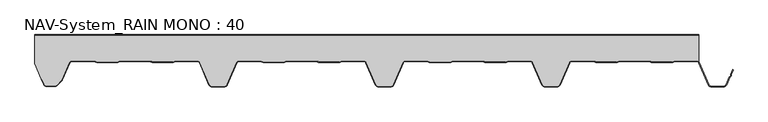
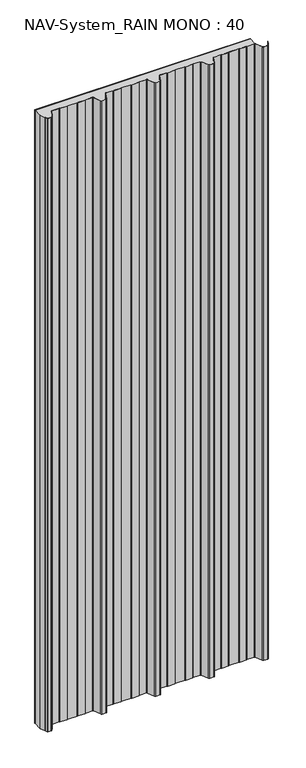
"""IFC4 building model written with IfcOpenShell, lengths in millimetres: plate geometry, NAV-System_RAIN MONO : 40."""

from ifc_helpers import new_model, si_unit, point, frame_2d, origin, origin_with_axes, place, context, project, spatial, polyline, circle_curve, trimmed, segment, composite_curve, outline, extrude, source, transform, mapped, element, save


def nav_system_rain_mono_40_c3090a60(model_context):
    return source(origin(), model_context, "Body", "SweptSolid", [
        extrude(outline(polyline([(519.0, -0.8), (-478.0, -0.8), (-478.0, 0.0), (519.0, 0.0), (519.0, -0.8)])), origin_with_axes(), (0.0, 0.0, 1.0), 3000.0),
        extrude(outline(composite_curve([segment(trimmed(circle_curve(frame_2d((515.5898022, -44.0)), 4.8), [point((519.0, -40.6220493))], [point((515.5898022, -39.2))], True, "CARTESIAN"), True, "CONTINUOUS"), segment(polyline([(515.5898022, -39.2), (483.6922468, -39.2), (479.6508228, -40.7), (448.0723788, -40.6741102), (444.1768702, -39.2), (400.3589135, -39.2), (396.3174895, -40.7), (364.7390455, -40.6741102), (360.8435369, -39.2), (328.9416341, -39.2)]), True, "CONTINUOUS"), segment(trimmed(circle_curve(frame_2d((328.9416341, -44.0)), 4.8), [point((328.9416341, -39.2))], [point((324.5314363, -42.1052295))], True, "CARTESIAN"), True, "CONTINUOUS"), segment(polyline([(324.5314363, -42.1052295), (310.330878, -75.1579242)]), True, "CONTINUOUS"), segment(trimmed(circle_curve(frame_2d((306.4719549, -73.5)), 4.2), [point((310.330878, -75.1579242))], [point((306.4719549, -77.7))], False, "CARTESIAN"), True, "CONTINUOUS"), segment(polyline([(306.4719549, -77.7), (288.0594814, -77.7)]), True, "CONTINUOUS"), segment(trimmed(circle_curve(frame_2d((288.0594814, -73.5)), 4.2), [point((288.0594814, -77.7))], [point((284.2005583, -75.1579242))], False, "CARTESIAN"), True, "CONTINUOUS"), segment(polyline([(284.2005583, -75.1579242), (270.0, -42.1052295)]), True, "CONTINUOUS"), segment(trimmed(circle_curve(frame_2d((265.5898022, -44.0)), 4.8), [point((270.0, -42.1052295))], [point((265.5898022, -39.2))], True, "CARTESIAN"), True, "CONTINUOUS"), segment(polyline([(265.5898022, -39.2), (233.6922468, -39.2), (229.6508228, -40.7), (198.0723788, -40.6741102), (194.1768702, -39.2), (150.3589135, -39.2), (146.3174895, -40.7), (114.8074622, -40.7), (110.8435369, -39.2), (78.9416341, -39.2)]), True, "CONTINUOUS"), segment(trimmed(circle_curve(frame_2d((78.9416341, -44.0)), 4.8), [point((78.9416341, -39.2))], [point((74.5314363, -42.1052295))], True, "CARTESIAN"), True, "CONTINUOUS"), segment(polyline([(74.5314363, -42.1052295), (60.330878, -75.1579242)]), True, "CONTINUOUS"), segment(trimmed(circle_curve(frame_2d((56.4719549, -73.5)), 4.2), [point((60.330878, -75.1579242))], [point((56.4719549, -77.7))], False, "CARTESIAN"), True, "CONTINUOUS"), segment(polyline([(56.4719549, -77.7), (38.0594814, -77.7)]), True, "CONTINUOUS"), segment(trimmed(circle_curve(frame_2d((38.0594814, -73.5)), 4.2), [point((38.0594814, -77.7))], [point((34.2005583, -75.1579242))], False, "CARTESIAN"), True, "CONTINUOUS"), segment(polyline([(34.2005583, -75.1579242), (20.0, -42.1052295)]), True, "CONTINUOUS"), segment(trimmed(circle_curve(frame_2d((15.5898022, -44.0)), 4.8), [point((20.0, -42.1052295))], [point((15.5898022, -39.2))], True, "CARTESIAN"), True, "CONTINUOUS"), segment(polyline([(15.5898022, -39.2), (-16.3077532, -39.2), (-20.3491772, -40.7), (-51.9276212, -40.6741102), (-55.8231298, -39.2), (-99.6410865, -39.2), (-103.6825105, -40.7), (-135.1925378, -40.7), (-139.1564631, -39.2), (-171.0583659, -39.2)]), True, "CONTINUOUS"), segment(trimmed(circle_curve(frame_2d((-171.0583659, -44.0)), 4.8), [point((-171.0583659, -39.2))], [point((-175.4685637, -42.1052295))], True, "CARTESIAN"), True, "CONTINUOUS"), segment(polyline([(-175.4685637, -42.1052295), (-189.669122, -75.1579242)]), True, "CONTINUOUS"), segment(trimmed(circle_curve(frame_2d((-193.5280451, -73.5)), 4.2), [point((-189.669122, -75.1579242))], [point((-193.5280451, -77.7))], False, "CARTESIAN"), True, "CONTINUOUS"), segment(polyline([(-193.5280451, -77.7), (-211.9405186, -77.7)]), True, "CONTINUOUS"), segment(trimmed(circle_curve(frame_2d((-211.9405186, -73.5)), 4.2), [point((-211.9405186, -77.7))], [point((-215.7994417, -75.1579242))], False, "CARTESIAN"), True, "CONTINUOUS"), segment(polyline([(-215.7994417, -75.1579242), (-230.0, -42.1052295)]), True, "CONTINUOUS"), segment(trimmed(circle_curve(frame_2d((-234.4101978, -44.0)), 4.8), [point((-230.0, -42.1052295))], [point((-234.4101978, -39.2))], True, "CARTESIAN"), True, "CONTINUOUS"), segment(polyline([(-234.4101978, -39.2), (-266.3077532, -39.2), (-270.3491772, -40.7), (-301.9276212, -40.6741102), (-305.8231298, -39.2), (-349.6410865, -39.2), (-353.6825105, -40.7), (-385.1925378, -40.7), (-389.1564631, -39.2), (-421.9290751, -39.2)]), True, "CONTINUOUS"), segment(trimmed(circle_curve(frame_2d((-421.9290751, -44.0)), 4.8), [point((-421.9290751, -39.2))], [point((-426.3392729, -42.1052295))], True, "CARTESIAN"), True, "CONTINUOUS"), segment(polyline([(-426.3392729, -42.1052295), (-437.4245651, -67.9069459)]), True, "CONTINUOUS"), segment(trimmed(circle_curve(frame_2d((-441.2834882, -66.2490217)), 4.2), [point((-437.4245651, -67.9069459))], [point((-438.3136397, -69.2188701))], False, "CARTESIAN"), True, "CONTINUOUS"), segment(polyline([(-438.3136397, -69.2188701), (-444.764618, -75.6698485)]), True, "CONTINUOUS"), segment(trimmed(circle_curve(frame_2d((-447.7344665, -72.7)), 4.2), [point((-444.764618, -75.6698485))], [point((-447.7344665, -76.9))], False, "CARTESIAN"), True, "CONTINUOUS"), segment(polyline([(-447.7344665, -76.9), (-461.1405186, -76.9)]), True, "CONTINUOUS"), segment(trimmed(circle_curve(frame_2d((-461.1405186, -73.7)), 3.2), [point((-461.1405186, -76.9))], [point((-464.1022482, -74.9116756))], False, "CARTESIAN"), True, "CONTINUOUS"), segment(polyline([(-464.1022482, -74.9116756), (-467.6292254, -66.2905951), (-468.3696578, -66.593514), (-478.0, -43.053822), (-478.0, -0.8), (519.0, -0.8), (519.0, -40.6220493)]), True, "CONTINUOUS")], self_intersect=False)), origin_with_axes(), (0.0, 0.0, 1.0), 3000.0),
        extrude(outline(composite_curve([segment(polyline([(-464.8430228, -75.2145945), (-468.37, -66.593514), (-467.6295676, -66.2905951), (-464.1025904, -74.9116756)]), True, "CONTINUOUS"), segment(trimmed(circle_curve(frame_2d((-461.1408608, -73.7)), 3.2), [point((-464.1025904, -74.9116756))], [point((-461.1408608, -76.9))], True, "CARTESIAN"), True, "CONTINUOUS"), segment(polyline([(-461.1408608, -76.9), (-447.7348087, -76.9)]), True, "CONTINUOUS"), segment(trimmed(circle_curve(frame_2d((-447.7348087, -72.7)), 4.2), [point((-447.7348087, -76.9))], [point((-444.7649603, -75.6698485))], True, "CARTESIAN"), True, "CONTINUOUS"), segment(polyline([(-444.7649603, -75.6698485), (-438.3139819, -69.2188701)]), True, "CONTINUOUS"), segment(trimmed(circle_curve(frame_2d((-441.2838304, -66.2490217)), 4.2), [point((-438.3139819, -69.2188701))], [point((-437.4249073, -67.9069459))], True, "CARTESIAN"), True, "CONTINUOUS"), segment(polyline([(-437.4249073, -67.9069459), (-426.3396151, -42.1052295)]), True, "CONTINUOUS"), segment(trimmed(circle_curve(frame_2d((-421.9294173, -44.0)), 4.8), [point((-426.3396151, -42.1052295))], [point((-421.9294173, -39.2))], False, "CARTESIAN"), True, "CONTINUOUS"), segment(polyline([(-421.9294173, -39.2), (-389.1568054, -39.2), (-385.19288, -40.7), (-353.6828527, -40.7), (-349.6414287, -39.2), (-305.8234721, -39.2), (-301.9279634, -40.6741102), (-270.3495194, -40.7), (-266.3080954, -39.2), (-234.41054, -39.2)]), True, "CONTINUOUS"), segment(trimmed(circle_curve(frame_2d((-234.41054, -44.0)), 4.8), [point((-234.41054, -39.2))], [point((-230.0003422, -42.1052295))], False, "CARTESIAN"), True, "CONTINUOUS"), segment(polyline([(-230.0003422, -42.1052295), (-215.7997839, -75.1579242)]), True, "CONTINUOUS"), segment(trimmed(circle_curve(frame_2d((-211.9408608, -73.5)), 4.2), [point((-215.7997839, -75.1579242))], [point((-211.9408608, -77.7))], True, "CARTESIAN"), True, "CONTINUOUS"), segment(polyline([(-211.9408608, -77.7), (-193.5283873, -77.7)]), True, "CONTINUOUS"), segment(trimmed(circle_curve(frame_2d((-193.5283873, -73.5)), 4.2), [point((-193.5283873, -77.7))], [point((-189.6694642, -75.1579242))], True, "CARTESIAN"), True, "CONTINUOUS"), segment(polyline([(-189.6694642, -75.1579242), (-175.4689059, -42.1052295)]), True, "CONTINUOUS"), segment(trimmed(circle_curve(frame_2d((-171.0587081, -44.0)), 4.8), [point((-175.4689059, -42.1052295))], [point((-171.0587081, -39.2))], False, "CARTESIAN"), True, "CONTINUOUS"), segment(polyline([(-171.0587081, -39.2), (-139.1568054, -39.2), (-135.2612967, -40.6741102), (-103.6828527, -40.7), (-99.6414287, -39.2), (-55.8234721, -39.2), (-51.9279634, -40.6741102), (-20.3495194, -40.7), (-16.3080954, -39.2), (15.58946, -39.2)]), True, "CONTINUOUS"), segment(trimmed(circle_curve(frame_2d((15.58946, -44.0)), 4.8), [point((15.58946, -39.2))], [point((19.9996578, -42.1052295))], False, "CARTESIAN"), True, "CONTINUOUS"), segment(polyline([(19.9996578, -42.1052295), (34.2002161, -75.1579242)]), True, "CONTINUOUS"), segment(trimmed(circle_curve(frame_2d((38.0591392, -73.5)), 4.2), [point((34.2002161, -75.1579242))], [point((38.0591392, -77.7))], True, "CARTESIAN"), True, "CONTINUOUS"), segment(polyline([(38.0591392, -77.7), (56.4716127, -77.7)]), True, "CONTINUOUS"), segment(trimmed(circle_curve(frame_2d((56.4716127, -73.5)), 4.2), [point((56.4716127, -77.7))], [point((60.3305358, -75.1579242))], True, "CARTESIAN"), True, "CONTINUOUS"), segment(polyline([(60.3305358, -75.1579242), (74.5310941, -42.1052295)]), True, "CONTINUOUS"), segment(trimmed(circle_curve(frame_2d((78.9412919, -44.0)), 4.8), [point((74.5310941, -42.1052295))], [point((78.9412919, -39.2))], False, "CARTESIAN"), True, "CONTINUOUS"), segment(polyline([(78.9412919, -39.2), (110.8431946, -39.2), (114.7387033, -40.6741102), (146.3171473, -40.7), (150.3585713, -39.2), (194.1765279, -39.2), (198.0720366, -40.6741102), (229.6504806, -40.7), (233.6919046, -39.2), (265.58946, -39.2)]), True, "CONTINUOUS"), segment(trimmed(circle_curve(frame_2d((265.58946, -44.0)), 4.8), [point((265.58946, -39.2))], [point((269.9996578, -42.1052295))], False, "CARTESIAN"), True, "CONTINUOUS"), segment(polyline([(269.9996578, -42.1052295), (284.2002161, -75.1579242)]), True, "CONTINUOUS"), segment(trimmed(circle_curve(frame_2d((288.0591392, -73.5)), 4.2), [point((284.2002161, -75.1579242))], [point((288.0591392, -77.7))], True, "CARTESIAN"), True, "CONTINUOUS"), segment(polyline([(288.0591392, -77.7), (306.4716127, -77.7)]), True, "CONTINUOUS"), segment(trimmed(circle_curve(frame_2d((306.4716127, -73.5)), 4.2), [point((306.4716127, -77.7))], [point((310.3305358, -75.1579242))], True, "CARTESIAN"), True, "CONTINUOUS"), segment(polyline([(310.3305358, -75.1579242), (324.5310941, -42.1052295)]), True, "CONTINUOUS"), segment(trimmed(circle_curve(frame_2d((328.9412919, -44.0)), 4.8), [point((324.5310941, -42.1052295))], [point((328.9412919, -39.2))], False, "CARTESIAN"), True, "CONTINUOUS"), segment(polyline([(328.9412919, -39.2), (360.8431946, -39.2), (364.7387033, -40.6741102), (396.3171473, -40.7), (400.3585713, -39.2), (444.1765279, -39.2), (448.0720366, -40.6741102), (479.6504806, -40.7), (483.6919046, -39.2), (515.58946, -39.2)]), True, "CONTINUOUS"), segment(trimmed(circle_curve(frame_2d((515.58946, -44.0)), 4.8), [point((515.58946, -39.2))], [point((519.9996578, -42.1052295))], False, "CARTESIAN"), True, "CONTINUOUS"), segment(polyline([(519.9996578, -42.1052295), (534.2002161, -75.1579242)]), True, "CONTINUOUS"), segment(trimmed(circle_curve(frame_2d((538.0591392, -73.5)), 4.2), [point((534.2002161, -75.1579242))], [point((538.0591392, -77.7))], True, "CARTESIAN"), True, "CONTINUOUS"), segment(polyline([(538.0591392, -77.7), (556.4716127, -77.7)]), True, "CONTINUOUS"), segment(trimmed(circle_curve(frame_2d((556.4716127, -73.5)), 4.2), [point((556.4716127, -77.7))], [point((560.3305358, -75.1579242))], True, "CARTESIAN"), True, "CONTINUOUS"), segment(polyline([(560.3305358, -75.1579242), (565.2356202, -63.741031), (567.1121268, -62.0654564), (567.0358547, -59.5508717), (570.0831709, -52.458051), (570.8182039, -52.7738461), (567.8408612, -59.703799), (567.9230626, -62.4138642), (565.9006789, -64.2196957), (561.0655687, -75.4737193)]), True, "CONTINUOUS"), segment(trimmed(circle_curve(frame_2d((556.4716127, -73.5)), 5.0), [point((561.0655687, -75.4737193))], [point((556.4716127, -78.5))], False, "CARTESIAN"), True, "CONTINUOUS"), segment(polyline([(556.4716127, -78.5), (538.0591392, -78.5)]), True, "CONTINUOUS"), segment(trimmed(circle_curve(frame_2d((538.0591392, -73.5)), 5.0), [point((538.0591392, -78.5))], [point((533.4651831, -75.4737193))], False, "CARTESIAN"), True, "CONTINUOUS"), segment(polyline([(533.4651831, -75.4737193), (519.2646248, -42.4210246)]), True, "CONTINUOUS"), segment(trimmed(circle_curve(frame_2d((515.58946, -44.0)), 4.0), [point((519.2646248, -42.4210246))], [point((515.58946, -40.0))], True, "CARTESIAN"), True, "CONTINUOUS"), segment(polyline([(515.58946, -40.0), (483.8338601, -40.0), (479.8699347, -41.5), (447.9941505, -41.5), (444.0302251, -40.0), (400.5005268, -40.0), (396.5366014, -41.5), (364.6608172, -41.5), (360.6968918, -40.0), (328.9412919, -40.0)]), True, "CONTINUOUS"), segment(trimmed(circle_curve(frame_2d((328.9412919, -44.0)), 4.0), [point((328.9412919, -40.0))], [point((325.2661271, -42.4210246))], True, "CARTESIAN"), True, "CONTINUOUS"), segment(polyline([(325.2661271, -42.4210246), (311.0655687, -75.4737193)]), True, "CONTINUOUS"), segment(trimmed(circle_curve(frame_2d((306.4716127, -73.5)), 5.0), [point((311.0655687, -75.4737193))], [point((306.4716127, -78.5))], False, "CARTESIAN"), True, "CONTINUOUS"), segment(polyline([(306.4716127, -78.5), (288.0591392, -78.5)]), True, "CONTINUOUS"), segment(trimmed(circle_curve(frame_2d((288.0591392, -73.5)), 5.0), [point((288.0591392, -78.5))], [point((283.4651831, -75.4737193))], False, "CARTESIAN"), True, "CONTINUOUS"), segment(polyline([(283.4651831, -75.4737193), (269.2646248, -42.4210246)]), True, "CONTINUOUS"), segment(trimmed(circle_curve(frame_2d((265.58946, -44.0)), 4.0), [point((269.2646248, -42.4210246))], [point((265.58946, -40.0))], True, "CARTESIAN"), True, "CONTINUOUS"), segment(polyline([(265.58946, -40.0), (233.8338601, -40.0), (229.8699347, -41.5), (197.9941505, -41.5), (194.0302251, -40.0), (150.5005268, -40.0), (146.5366014, -41.5), (114.6608172, -41.5), (110.6968918, -40.0), (78.9412919, -40.0)]), True, "CONTINUOUS"), segment(trimmed(circle_curve(frame_2d((78.9412919, -44.0)), 4.0), [point((78.9412919, -40.0))], [point((75.2661271, -42.4210246))], True, "CARTESIAN"), True, "CONTINUOUS"), segment(polyline([(75.2661271, -42.4210246), (61.0655687, -75.4737193)]), True, "CONTINUOUS"), segment(trimmed(circle_curve(frame_2d((56.4716127, -73.5)), 5.0), [point((61.0655687, -75.4737193))], [point((56.4716127, -78.5))], False, "CARTESIAN"), True, "CONTINUOUS"), segment(polyline([(56.4716127, -78.5), (38.0591392, -78.5)]), True, "CONTINUOUS"), segment(trimmed(circle_curve(frame_2d((38.0591392, -73.5)), 5.0), [point((38.0591392, -78.5))], [point((33.4651831, -75.4737193))], False, "CARTESIAN"), True, "CONTINUOUS"), segment(polyline([(33.4651831, -75.4737193), (19.2646248, -42.4210246)]), True, "CONTINUOUS"), segment(trimmed(circle_curve(frame_2d((15.58946, -44.0)), 4.0), [point((19.2646248, -42.4210246))], [point((15.58946, -40.0))], True, "CARTESIAN"), True, "CONTINUOUS"), segment(polyline([(15.58946, -40.0), (-16.1661399, -40.0), (-20.1300653, -41.5), (-52.0058495, -41.5), (-55.9697749, -40.0), (-99.4994732, -40.0), (-103.4633986, -41.5), (-135.3391828, -41.5), (-139.3031082, -40.0), (-171.0587081, -40.0)]), True, "CONTINUOUS"), segment(trimmed(circle_curve(frame_2d((-171.0587081, -44.0)), 4.0), [point((-171.0587081, -40.0))], [point((-174.7338729, -42.4210246))], True, "CARTESIAN"), True, "CONTINUOUS"), segment(polyline([(-174.7338729, -42.4210246), (-188.9344313, -75.4737193)]), True, "CONTINUOUS"), segment(trimmed(circle_curve(frame_2d((-193.5283873, -73.5)), 5.0), [point((-188.9344313, -75.4737193))], [point((-193.5283873, -78.5))], False, "CARTESIAN"), True, "CONTINUOUS"), segment(polyline([(-193.5283873, -78.5), (-211.9408608, -78.5)]), True, "CONTINUOUS"), segment(trimmed(circle_curve(frame_2d((-211.9408608, -73.5)), 5.0), [point((-211.9408608, -78.5))], [point((-216.5348169, -75.4737193))], False, "CARTESIAN"), True, "CONTINUOUS"), segment(polyline([(-216.5348169, -75.4737193), (-230.7353752, -42.4210246)]), True, "CONTINUOUS"), segment(trimmed(circle_curve(frame_2d((-234.41054, -44.0)), 4.0), [point((-230.7353752, -42.4210246))], [point((-234.41054, -40.0))], True, "CARTESIAN"), True, "CONTINUOUS"), segment(polyline([(-234.41054, -40.0), (-266.1661399, -40.0), (-270.1300653, -41.5), (-302.0058495, -41.5), (-305.9697749, -40.0), (-349.4994732, -40.0), (-353.4633986, -41.5), (-385.3391828, -41.5), (-389.3031082, -40.0), (-421.9294173, -40.0)]), True, "CONTINUOUS"), segment(trimmed(circle_curve(frame_2d((-421.9294173, -44.0)), 4.0), [point((-421.9294173, -40.0))], [point((-425.6045822, -42.4210246))], True, "CARTESIAN"), True, "CONTINUOUS"), segment(polyline([(-425.6045822, -42.4210246), (-436.6898744, -68.2227409)]), True, "CONTINUOUS"), segment(trimmed(circle_curve(frame_2d((-441.2838304, -66.2490217)), 5.0), [point((-436.6898744, -68.2227409))], [point((-437.7482965, -69.7845556))], False, "CARTESIAN"), True, "CONTINUOUS"), segment(polyline([(-437.7482965, -69.7845556), (-444.1992748, -76.2355339)]), True, "CONTINUOUS"), segment(trimmed(circle_curve(frame_2d((-447.7348087, -72.7)), 5.0), [point((-444.1992748, -76.2355339))], [point((-447.7348087, -77.7))], False, "CARTESIAN"), True, "CONTINUOUS"), segment(polyline([(-447.7348087, -77.7), (-461.1408608, -77.7)]), True, "CONTINUOUS"), segment(trimmed(circle_curve(frame_2d((-461.1408608, -73.7)), 4.0), [point((-461.1408608, -77.7))], [point((-464.8430228, -75.2145945))], False, "CARTESIAN"), True, "CONTINUOUS")], self_intersect=False)), origin_with_axes(), (0.0, 0.0, 1.0), 3000.0),
    ])


if __name__ == "__main__":
    model = new_model("IFC4")
    model_context = context("Model", 3, world=origin())
    ifc_project = project(units=[si_unit("LENGTHUNIT", "METRE", prefix="MILLI")], contexts=[model_context])
    site = spatial("IfcSite", under=ifc_project)
    building = spatial("IfcBuilding", under=site)
    placement = place(None, origin())
    nav_system_rain_mono_40_shape = nav_system_rain_mono_40_c3090a60(model_context)
    element("IfcPlate", 1, ObjectType="NAV-System_RAIN MONO : 40", at=placement, inside=building, context=model_context, shape_type="MappedRepresentation", body=[
        mapped(nav_system_rain_mono_40_shape, transform((0.0, 0.0, 0.0), x_axis=(1.0, 0.0, 0.0), y_axis=(0.0, 1.0, 0.0), z_axis=(0.0, 0.0, 1.0))),
    ])
    save(model, "model.ifc")
